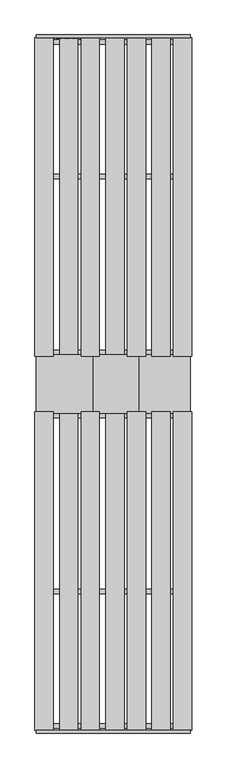
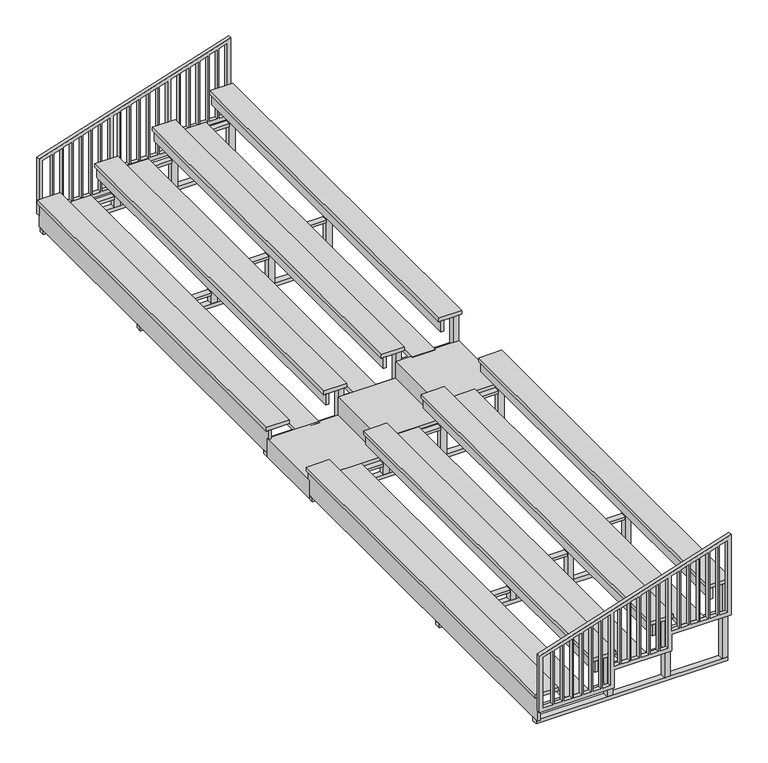
"""IFC4 building model written with IfcOpenShell, lengths in millimetres: furniture geometry."""

import ifcopenshell
import ifcopenshell.guid

model = None  # the IFC model being written
_history = None  # IfcOwnerHistory: only IFC2X3 demands one
_inside = {}  # id of a spatial element -> (the spatial element, [elements in it])
_under = {}  # id of a project, library or spatial element -> (it, [spatial elements below it])
_declared = {}  # id of a project -> (the project, [libraries it declares])
_typed = {}  # id of a type object -> (the type object, [elements of that type])
_made_of = {}  # id of a material, layer set ... -> (it, [elements and type objects made of it])


def new_model(schema):
    """Start an empty IFC model of exactly this schema.

    Asked for "IFC4X3", IfcOpenShell would pick the latest addendum, in which some entities
    have other attributes; the version numbers below select the first issue.
    IFC2X3 requires an IfcOwnerHistory on every rooted entity: one is made here for all.
    """
    global model, _history
    if schema == "IFC4X3":
        model = ifcopenshell.file(schema_version=(4, 3, 0, 0))
    else:
        model = ifcopenshell.file(schema=schema)
    _inside.clear()
    _under.clear()
    _declared.clear()
    _typed.clear()
    _made_of.clear()
    _history = None
    if model.schema == "IFC2X3":
        org = make("IfcOrganization", Name="unknown")
        user = make(
            "IfcPersonAndOrganization",
            ThePerson=make("IfcPerson", FamilyName="unknown"),
            TheOrganization=org,
        )
        app = make(
            "IfcApplication",
            ApplicationDeveloper=org,
            Version="unknown",
            ApplicationFullName="unknown",
            ApplicationIdentifier="unknown",
        )
        _history = make(
            "IfcOwnerHistory",
            OwningUser=user,
            OwningApplication=app,
            ChangeAction="ADDED",
            CreationDate=0,
        )
    return model


def make(cls, **values):
    """One entity of the class cls with the attributes given. An attribute that is None is left unset."""
    return model.create_entity(
        cls, **{name: value for name, value in values.items() if value is not None}
    )


def rooted(cls, **values):
    """An entity with a GlobalId (a new one), such as an element, a storey or a relation."""
    return make(cls, GlobalId=ifcopenshell.guid.new(), OwnerHistory=_history, **values)


def si_unit(unit_type, name, prefix=None):
    """IfcSIUnit, for example si_unit("LENGTHUNIT", "METRE", prefix="MILLI")."""
    return make("IfcSIUnit", UnitType=unit_type, Prefix=prefix, Name=name)


def assignment(units):
    """IfcUnitAssignment: the units of a project."""
    return None if units is None else make("IfcUnitAssignment", Units=units)


def point(xyz):
    """IfcCartesianPoint."""
    return None if xyz is None else make("IfcCartesianPoint", Coordinates=xyz)


def direction(xyz):
    """IfcDirection."""
    return None if xyz is None else make("IfcDirection", DirectionRatios=xyz)


def frame(location, z_axis=None, x_axis=None):
    """IfcAxis2Placement3D, a coordinate frame: its origin and axes. An axis left out is left unset."""
    return make(
        "IfcAxis2Placement3D",
        Location=point(location),
        Axis=direction(z_axis),
        RefDirection=direction(x_axis),
    )


def origin():
    """The frame at (0, 0, 0) with its axes left unset."""
    return frame((0.0, 0.0, 0.0))


def origin_with_axes():
    """The frame at (0, 0, 0) with the z axis (0, 0, 1) and the x axis (1, 0, 0) written out."""
    return frame((0.0, 0.0, 0.0), z_axis=(0.0, 0.0, 1.0), x_axis=(1.0, 0.0, 0.0))


def place(relative_to, where):
    """IfcLocalPlacement: puts the frame where relative to a parent placement (None: the world)."""
    return make(
        "IfcLocalPlacement", PlacementRelTo=relative_to, RelativePlacement=where
    )


def context(
    kind, dimensions, precision=None, world=None, true_north=None, identifier=None
):
    """IfcGeometricRepresentationContext, for example the 3D "Model" context."""
    return make(
        "IfcGeometricRepresentationContext",
        ContextIdentifier=identifier,
        ContextType=kind,
        CoordinateSpaceDimension=dimensions,
        Precision=precision,
        WorldCoordinateSystem=world,
        TrueNorth=true_north,
    )


def project(units=None, contexts=None):
    """IfcProject with its units and contexts."""
    return rooted(
        "IfcProject",
        Name="project",
        RepresentationContexts=contexts,
        UnitsInContext=assignment(units),
    )


def spatial(cls, under=None, at=None, **own):
    """A site, building, storey or space (cls), placed at a placement, below another one or the project."""
    s = rooted(cls, ObjectPlacement=at, **own)
    if under is not None:
        _under.setdefault(under.id(), (under, []))[1].append(s)
    return s


def polyline(points):
    """IfcPolyline through the points."""
    return make("IfcPolyline", Points=[point(p) for p in points])


def outline(outer, holes=None, kind="AREA"):
    """IfcArbitraryClosedProfileDef: a profile drawn as a closed curve; with holes, ...WithVoids."""
    if holes is None:
        return make("IfcArbitraryClosedProfileDef", ProfileType=kind, OuterCurve=outer)
    return make(
        "IfcArbitraryProfileDefWithVoids",
        ProfileType=kind,
        OuterCurve=outer,
        InnerCurves=holes,
    )


def extrude(swept, where, along, depth):
    """IfcExtrudedAreaSolid: the profile swept, set in the frame where, extruded along a direction by depth."""
    return make(
        "IfcExtrudedAreaSolid",
        SweptArea=swept,
        Position=where,
        ExtrudedDirection=direction(along),
        Depth=depth,
    )


def shape(context_of_items, identifier, shape_type, items):
    """IfcShapeRepresentation: the items that make up one representation, for example the "Body"."""
    return make(
        "IfcShapeRepresentation",
        ContextOfItems=context_of_items,
        RepresentationIdentifier=identifier,
        RepresentationType=shape_type,
        Items=items,
    )


def source(mapping_origin, context_of_items, identifier, shape_type, items):
    """IfcRepresentationMap: a shape defined once, which mapped items show again and again."""
    return make(
        "IfcRepresentationMap",
        MappingOrigin=mapping_origin,
        MappedRepresentation=shape(context_of_items, identifier, shape_type, items),
    )


def transform(
    local_origin,
    x_axis=None,
    y_axis=None,
    z_axis=None,
    scale=None,
    scale2=None,
    scale3=None,
    uniform=True,
):
    """IfcCartesianTransformationOperator3D, or its non-uniform kind. x_axis, y_axis, z_axis: its Axis1, 2, 3."""
    if uniform:
        return make(
            "IfcCartesianTransformationOperator3D",
            Axis1=direction(x_axis),
            Axis2=direction(y_axis),
            LocalOrigin=point(local_origin),
            Scale=scale,
            Axis3=direction(z_axis),
        )
    return make(
        "IfcCartesianTransformationOperator3DnonUniform",
        Axis1=direction(x_axis),
        Axis2=direction(y_axis),
        LocalOrigin=point(local_origin),
        Scale=scale,
        Axis3=direction(z_axis),
        Scale2=scale2,
        Scale3=scale3,
    )


def mapped(mapping_source, mapping_target):
    """IfcMappedItem: shows the shape of a source again, moved by a transform."""
    return make(
        "IfcMappedItem", MappingSource=mapping_source, MappingTarget=mapping_target
    )


def made_of(thing, what):
    """Note that an element or type object is made of a material, layer set ...; save() writes the relation."""
    if what is not None:
        _made_of.setdefault(what.id(), (what, []))[1].append(thing)
    return thing


def element(
    cls,
    number,
    at=None,
    inside=None,
    cuts=None,
    type_object=None,
    material=None,
    context=None,
    identifier="Body",
    shape_type=None,
    held_by="IfcProductDefinitionShape",
    body=None,
    shapes=None,
    **own,
):
    """One element of the class cls, such as IfcWall. Its Tag is "e" and its number.

    at: its placement. inside: the storey or other place that contains it. cuts: it is an
    opening in that element (IfcRelVoidsElement). A single representation is given by context,
    identifier, shape_type and body (its items); several are given by shapes. held_by: the class
    of the entity that holds the representations. save() writes the other relations.
    """
    e = rooted(cls, Tag="e%d" % number, ObjectPlacement=at, **own)
    if body is not None:
        shapes = [shape(context, identifier, shape_type, body)]
    if shapes is not None:
        e.Representation = make(held_by, Representations=shapes)
    if inside is not None:
        _inside.setdefault(inside.id(), (inside, []))[1].append(e)
    if cuts is not None:
        rooted(
            "IfcRelVoidsElement", RelatingBuildingElement=cuts, RelatedOpeningElement=e
        )
    if type_object is not None:
        _typed.setdefault(type_object.id(), (type_object, []))[1].append(e)
    return made_of(e, material)


def aggregate(whole, parts):
    """IfcRelAggregates: a whole, such as a stair, and the parts it consists of."""
    return rooted("IfcRelAggregates", RelatingObject=whole, RelatedObjects=parts)


def save(model, path):
    """Write the relations noted so far, then the file.

    IfcRelAggregates (storeys below a building ...), IfcRelContainedInSpatialStructure (elements
    in a storey), IfcRelDefinesByType, IfcRelAssociatesMaterial and IfcRelDeclares: one each for
    every whole, place, type object, material and project.
    """
    for whole, parts in _under.values():
        aggregate(whole, parts)
    for where, things in _inside.values():
        rooted(
            "IfcRelContainedInSpatialStructure",
            RelatedElements=things,
            RelatingStructure=where,
        )
    for kind, things in _typed.values():
        rooted("IfcRelDefinesByType", RelatedObjects=things, RelatingType=kind)
    for what, things in _made_of.values():
        rooted("IfcRelAssociatesMaterial", RelatedObjects=things, RelatingMaterial=what)
    for by, libraries in _declared.values():
        rooted("IfcRelDeclares", RelatingContext=by, RelatedDefinitions=libraries)
    model.write(path)


def furniture_8ce1a754(model_context):
    return source(origin(), model_context, "Body", "SweptSolid", [
        extrude(outline(polyline([(995.3625, 25.4), (203.2, 25.4), (203.2, 1016.0), (457.2, 1016.0), (457.2, 1778.0), (685.8, 1778.0), (685.8, 2565.4), (1810.2791667, 2565.4), (995.3625, 25.4)]), holes=[polyline([(958.310335, 76.2), (999.0561684, 203.2), (254.0, 203.2), (254.0, 76.2), (958.310335, 76.2)]), polyline([(1243.5311684, 965.2), (254.0, 965.2), (254.0, 863.6), (1210.9345017, 863.6), (1243.5311684, 965.2)]), polyline([(1488.0061684, 1727.2), (508.0, 1727.2), (508.0, 1625.6), (1455.4095017, 1625.6), (1488.0061684, 1727.2)]), polyline([(1202.785335, 838.2), (254.0, 838.2), (254.0, 736.6), (1170.1886684, 736.6), (1202.785335, 838.2)]), polyline([(1162.0395017, 711.2), (254.0, 711.2), (254.0, 609.6), (1129.442835, 609.6), (1162.0395017, 711.2)]), polyline([(1121.2936684, 584.2), (254.0, 584.2), (254.0, 482.6), (1088.6970017, 482.6), (1121.2936684, 584.2)]), polyline([(1080.547835, 457.2), (254.0, 457.2), (254.0, 355.6), (1047.9511684, 355.6), (1080.547835, 457.2)]), polyline([(1039.8020017, 330.2), (254.0, 330.2), (254.0, 228.6), (1007.205335, 228.6), (1039.8020017, 330.2)]), polyline([(1708.0336684, 2413.0), (1740.630335, 2514.6), (736.6, 2514.6), (736.6, 2413.0), (1708.0336684, 2413.0)]), polyline([(508.0, 1092.2), (508.0, 1016.0), (1259.8295017, 1016.0), (1284.2770017, 1092.2), (508.0, 1092.2)]), polyline([(736.6, 1879.6), (736.6, 1778.0), (1504.3045017, 1778.0), (1536.9011684, 1879.6), (736.6, 1879.6)]), polyline([(1447.260335, 1600.2), (508.0, 1600.2), (508.0, 1498.6), (1414.6636684, 1498.6), (1447.260335, 1600.2)]), polyline([(1406.5145017, 1473.2), (508.0, 1473.2), (508.0, 1371.6), (1373.917835, 1371.6), (1406.5145017, 1473.2)]), polyline([(1365.7686684, 1346.2), (508.0, 1346.2), (508.0, 1244.6), (1333.1720017, 1244.6), (1365.7686684, 1346.2)]), polyline([(1325.022835, 1219.2), (508.0, 1219.2), (508.0, 1117.6), (1292.4261684, 1117.6), (1325.022835, 1219.2)]), polyline([(1699.8845017, 2387.6), (736.6, 2387.6), (736.6, 2286.0), (1667.287835, 2286.0), (1699.8845017, 2387.6)]), polyline([(1659.1386684, 2260.6), (736.6, 2260.6), (736.6, 2159.0), (1626.5420017, 2159.0), (1659.1386684, 2260.6)]), polyline([(1618.392835, 2133.6), (736.6, 2133.6), (736.6, 2032.0), (1585.7961684, 2032.0), (1618.392835, 2133.6)]), polyline([(1577.6470017, 2006.6), (736.6, 2006.6), (736.6, 1905.0), (1545.050335, 1905.0), (1577.6470017, 2006.6)])]), frame((0.0, -11480.8, 0.0), z_axis=(0.0, 1.0, 0.0), x_axis=(0.0, 0.0, 1.0)), (0.0, 0.0, 1.0), 50.8),
        extrude(outline(polyline([(995.3625, 25.4), (203.2, 25.4), (203.2, 1016.0), (457.2, 1016.0), (457.2, 1778.0), (685.8, 1778.0), (685.8, 2565.4), (1810.2791667, 2565.4), (995.3625, 25.4)]), holes=[polyline([(958.310335, 76.2), (999.0561684, 203.2), (254.0, 203.2), (254.0, 76.2), (958.310335, 76.2)]), polyline([(1243.5311684, 965.2), (254.0, 965.2), (254.0, 863.6), (1210.9345017, 863.6), (1243.5311684, 965.2)]), polyline([(1488.0061684, 1727.2), (508.0, 1727.2), (508.0, 1625.6), (1455.4095017, 1625.6), (1488.0061684, 1727.2)]), polyline([(1202.785335, 838.2), (254.0, 838.2), (254.0, 736.6), (1170.1886684, 736.6), (1202.785335, 838.2)]), polyline([(1162.0395017, 711.2), (254.0, 711.2), (254.0, 609.6), (1129.442835, 609.6), (1162.0395017, 711.2)]), polyline([(1121.2936684, 584.2), (254.0, 584.2), (254.0, 482.6), (1088.6970017, 482.6), (1121.2936684, 584.2)]), polyline([(1080.547835, 457.2), (254.0, 457.2), (254.0, 355.6), (1047.9511684, 355.6), (1080.547835, 457.2)]), polyline([(1039.8020017, 330.2), (254.0, 330.2), (254.0, 228.6), (1007.205335, 228.6), (1039.8020017, 330.2)]), polyline([(1708.0336684, 2413.0), (1740.630335, 2514.6), (736.6, 2514.6), (736.6, 2413.0), (1708.0336684, 2413.0)]), polyline([(508.0, 1092.2), (508.0, 1016.0), (1259.8295017, 1016.0), (1284.2770017, 1092.2), (508.0, 1092.2)]), polyline([(736.6, 1879.6), (736.6, 1778.0), (1504.3045017, 1778.0), (1536.9011684, 1879.6), (736.6, 1879.6)]), polyline([(1447.260335, 1600.2), (508.0, 1600.2), (508.0, 1498.6), (1414.6636684, 1498.6), (1447.260335, 1600.2)]), polyline([(1406.5145017, 1473.2), (508.0, 1473.2), (508.0, 1371.6), (1373.917835, 1371.6), (1406.5145017, 1473.2)]), polyline([(1365.7686684, 1346.2), (508.0, 1346.2), (508.0, 1244.6), (1333.1720017, 1244.6), (1365.7686684, 1346.2)]), polyline([(1325.022835, 1219.2), (508.0, 1219.2), (508.0, 1117.6), (1292.4261684, 1117.6), (1325.022835, 1219.2)]), polyline([(1699.8845017, 2387.6), (736.6, 2387.6), (736.6, 2286.0), (1667.287835, 2286.0), (1699.8845017, 2387.6)]), polyline([(1659.1386684, 2260.6), (736.6, 2260.6), (736.6, 2159.0), (1626.5420017, 2159.0), (1659.1386684, 2260.6)]), polyline([(1618.392835, 2133.6), (736.6, 2133.6), (736.6, 2032.0), (1585.7961684, 2032.0), (1618.392835, 2133.6)]), polyline([(1577.6470017, 2006.6), (736.6, 2006.6), (736.6, 1905.0), (1545.050335, 1905.0), (1577.6470017, 2006.6)])]), frame((0.0, 0.0, 0.0), z_axis=(0.0, 1.0, 0.0), x_axis=(0.0, 0.0, 1.0)), (0.0, 0.0, 1.0), 50.8),
        extrude(outline(polyline([(254.0, 25.4), (0.0, 25.4), (0.0, 76.2), (203.2, 76.2), (203.2, 1016.0), (457.2, 1016.0), (457.2, 1778.0), (685.8, 1778.0), (685.8, 2565.4), (736.6, 2565.4), (736.6, 1727.2), (508.0, 1727.2), (508.0, 965.2), (254.0, 965.2), (254.0, 25.4)])), frame((0.0, -6197.6, 0.0), z_axis=(0.0, 1.0, 0.0), x_axis=(0.0, 0.0, 1.0)), (0.0, 0.0, 1.0), 965.2),
        extrude(outline(polyline([(2489.2, -6197.6), (2489.2, -6273.8), (1803.4, -6273.8), (1803.4, -6197.6), (2489.2, -6197.6)])), frame((0.0, 0.0, 654.05), z_axis=(0.0, 0.0, 1.0), x_axis=(1.0, 0.0, 0.0)), (0.0, 0.0, 1.0), 38.1),
        extrude(outline(polyline([(1727.2, -6197.6), (1727.2, -6273.8), (1041.4, -6273.8), (1041.4, -6197.6), (1727.2, -6197.6)])), frame((0.0, 0.0, 409.575), z_axis=(0.0, 0.0, 1.0), x_axis=(1.0, 0.0, 0.0)), (0.0, 0.0, 1.0), 38.1),
        extrude(outline(polyline([(965.2, -6197.6), (965.2, -6273.8), (63.5, -6273.8), (63.5, -6197.6), (965.2, -6197.6)])), frame((0.0, 0.0, 165.1), z_axis=(0.0, 0.0, 1.0), x_axis=(1.0, 0.0, 0.0)), (0.0, 0.0, 1.0), 38.1),
        extrude(outline(polyline([(965.2, -6197.6), (1041.4, -6197.6), (1041.4, -6273.8), (965.2, -6273.8), (965.2, -6197.6)])), frame((0.0, 0.0, 50.8), z_axis=(0.0, 0.0, 1.0), x_axis=(1.0, 0.0, 0.0)), (0.0, 0.0, 1.0), 574.675),
        extrude(outline(polyline([(1727.2, -6197.6), (1803.4, -6197.6), (1803.4, -6273.8), (1727.2, -6273.8), (1727.2, -6197.6)])), frame((0.0, 0.0, 50.8), z_axis=(0.0, 0.0, 1.0), x_axis=(1.0, 0.0, 0.0)), (0.0, 0.0, 1.0), 819.15),
        extrude(outline(polyline([(2489.2, -6197.6), (2565.4, -6197.6), (2565.4, -6273.8), (2489.2, -6273.8), (2489.2, -6197.6)])), frame((0.0, 0.0, 50.8), z_axis=(0.0, 0.0, 1.0), x_axis=(1.0, 0.0, 0.0)), (0.0, 0.0, 1.0), 1063.625),
        extrude(outline(polyline([(2565.4, -6273.8), (25.4, -6273.8), (25.4, -6197.6), (2565.4, -6197.6), (2565.4, -6273.8)])), origin_with_axes(), (0.0, 0.0, 1.0), 50.8),
        extrude(outline(polyline([(2489.2, -9105.9), (2489.2, -9182.1), (1803.4, -9182.1), (1803.4, -9105.9), (2489.2, -9105.9)])), frame((0.0, 0.0, 654.05), z_axis=(0.0, 0.0, 1.0), x_axis=(1.0, 0.0, 0.0)), (0.0, 0.0, 1.0), 38.1),
        extrude(outline(polyline([(1727.2, -9105.9), (1727.2, -9182.1), (1041.4, -9182.1), (1041.4, -9105.9), (1727.2, -9105.9)])), frame((0.0, 0.0, 409.575), z_axis=(0.0, 0.0, 1.0), x_axis=(1.0, 0.0, 0.0)), (0.0, 0.0, 1.0), 38.1),
        extrude(outline(polyline([(965.2, -9105.9), (965.2, -9182.1), (63.5, -9182.1), (63.5, -9105.9), (965.2, -9105.9)])), frame((0.0, 0.0, 165.1), z_axis=(0.0, 0.0, 1.0), x_axis=(1.0, 0.0, 0.0)), (0.0, 0.0, 1.0), 38.1),
        extrude(outline(polyline([(965.2, -9105.9), (1041.4, -9105.9), (1041.4, -9182.1), (965.2, -9182.1), (965.2, -9105.9)])), frame((0.0, 0.0, 50.8), z_axis=(0.0, 0.0, 1.0), x_axis=(1.0, 0.0, 0.0)), (0.0, 0.0, 1.0), 574.675),
        extrude(outline(polyline([(1727.2, -9105.9), (1803.4, -9105.9), (1803.4, -9182.1), (1727.2, -9182.1), (1727.2, -9105.9)])), frame((0.0, 0.0, 50.8), z_axis=(0.0, 0.0, 1.0), x_axis=(1.0, 0.0, 0.0)), (0.0, 0.0, 1.0), 819.15),
        extrude(outline(polyline([(2489.2, -9105.9), (2565.4, -9105.9), (2565.4, -9182.1), (2489.2, -9182.1), (2489.2, -9105.9)])), frame((0.0, 0.0, 50.8), z_axis=(0.0, 0.0, 1.0), x_axis=(1.0, 0.0, 0.0)), (0.0, 0.0, 1.0), 1063.625),
        extrude(outline(polyline([(2565.4, -9182.1), (25.4, -9182.1), (25.4, -9105.9), (2565.4, -9105.9), (2565.4, -9182.1)])), origin_with_axes(), (0.0, 0.0, 1.0), 50.8),
        extrude(outline(polyline([(2489.2, -11328.4), (2489.2, -11404.6), (1803.4, -11404.6), (1803.4, -11328.4), (2489.2, -11328.4)])), frame((0.0, 0.0, 654.05), z_axis=(0.0, 0.0, 1.0), x_axis=(1.0, 0.0, 0.0)), (0.0, 0.0, 1.0), 38.1),
        extrude(outline(polyline([(1727.2, -11328.4), (1727.2, -11404.6), (1041.4, -11404.6), (1041.4, -11328.4), (1727.2, -11328.4)])), frame((0.0, 0.0, 409.575), z_axis=(0.0, 0.0, 1.0), x_axis=(1.0, 0.0, 0.0)), (0.0, 0.0, 1.0), 38.1),
        extrude(outline(polyline([(965.2, -11328.4), (965.2, -11404.6), (63.5, -11404.6), (63.5, -11328.4), (965.2, -11328.4)])), frame((0.0, 0.0, 165.1), z_axis=(0.0, 0.0, 1.0), x_axis=(1.0, 0.0, 0.0)), (0.0, 0.0, 1.0), 38.1),
        extrude(outline(polyline([(965.2, -11328.4), (1041.4, -11328.4), (1041.4, -11404.6), (965.2, -11404.6), (965.2, -11328.4)])), frame((0.0, 0.0, 50.8), z_axis=(0.0, 0.0, 1.0), x_axis=(1.0, 0.0, 0.0)), (0.0, 0.0, 1.0), 574.675),
        extrude(outline(polyline([(1727.2, -11328.4), (1803.4, -11328.4), (1803.4, -11404.6), (1727.2, -11404.6), (1727.2, -11328.4)])), frame((0.0, 0.0, 50.8), z_axis=(0.0, 0.0, 1.0), x_axis=(1.0, 0.0, 0.0)), (0.0, 0.0, 1.0), 819.15),
        extrude(outline(polyline([(2489.2, -11328.4), (2565.4, -11328.4), (2565.4, -11404.6), (2489.2, -11404.6), (2489.2, -11328.4)])), frame((0.0, 0.0, 50.8), z_axis=(0.0, 0.0, 1.0), x_axis=(1.0, 0.0, 0.0)), (0.0, 0.0, 1.0), 1063.625),
        extrude(outline(polyline([(2565.4, -11404.6), (25.4, -11404.6), (25.4, -11328.4), (2565.4, -11328.4), (2565.4, -11404.6)])), origin_with_axes(), (0.0, 0.0, 1.0), 50.8),
        extrude(outline(polyline([(2235.2, -11430.0), (1930.4, -11430.0), (1930.4, -6172.2), (2235.2, -6172.2), (2235.2, -11430.0)])), frame((0.0, 0.0, 692.15), z_axis=(0.0, 0.0, 1.0), x_axis=(1.0, 0.0, 0.0)), (0.0, 0.0, 1.0), 50.8),
        extrude(outline(polyline([(1473.2, -11430.0), (1168.4, -11430.0), (1168.4, -6172.2), (1473.2, -6172.2), (1473.2, -11430.0)])), frame((0.0, 0.0, 447.675), z_axis=(0.0, 0.0, 1.0), x_axis=(1.0, 0.0, 0.0)), (0.0, 0.0, 1.0), 50.8),
        extrude(outline(polyline([(711.2, -11430.0), (406.4, -11430.0), (406.4, -6172.2), (711.2, -6172.2), (711.2, -11430.0)])), frame((0.0, 0.0, 203.2), z_axis=(0.0, 0.0, 1.0), x_axis=(1.0, 0.0, 0.0)), (0.0, 0.0, 1.0), 50.8),
        extrude(outline(polyline([(2349.5, -6172.2), (2349.5, -11430.0), (2311.4, -11430.0), (2311.4, -6172.2), (2349.5, -6172.2)])), frame((0.0, 0.0, 962.025), z_axis=(0.0, 0.0, 1.0), x_axis=(1.0, 0.0, 0.0)), (0.0, 0.0, 1.0), 152.4),
        extrude(outline(polyline([(1587.5, -6172.2), (1587.5, -11430.0), (1549.4, -11430.0), (1549.4, -6172.2), (1587.5, -6172.2)])), frame((0.0, 0.0, 717.55), z_axis=(0.0, 0.0, 1.0), x_axis=(1.0, 0.0, 0.0)), (0.0, 0.0, 1.0), 152.4),
        extrude(outline(polyline([(825.5, -6172.2), (825.5, -11430.0), (787.4, -11430.0), (787.4, -6172.2), (825.5, -6172.2)])), frame((0.0, 0.0, 473.075), z_axis=(0.0, 0.0, 1.0), x_axis=(1.0, 0.0, 0.0)), (0.0, 0.0, 1.0), 152.4),
        extrude(outline(polyline([(63.5, -6172.2), (63.5, -11430.0), (25.4, -11430.0), (25.4, -6172.2), (63.5, -6172.2)])), frame((0.0, 0.0, 50.8), z_axis=(0.0, 0.0, 1.0), x_axis=(1.0, 0.0, 0.0)), (0.0, 0.0, 1.0), 330.2),
        extrude(outline(polyline([(2590.8, -11430.0), (2286.0, -11430.0), (2286.0, -6172.2), (2590.8, -6172.2), (2590.8, -11430.0)])), frame((0.0, 0.0, 1114.425), z_axis=(0.0, 0.0, 1.0), x_axis=(1.0, 0.0, 0.0)), (0.0, 0.0, 1.0), 50.8),
        extrude(outline(polyline([(1828.8, -11430.0), (1524.0, -11430.0), (1524.0, -6172.2), (1828.8, -6172.2), (1828.8, -11430.0)])), frame((0.0, 0.0, 869.95), z_axis=(0.0, 0.0, 1.0), x_axis=(1.0, 0.0, 0.0)), (0.0, 0.0, 1.0), 50.8),
        extrude(outline(polyline([(1066.8, -11430.0), (762.0, -11430.0), (762.0, -6172.2), (1066.8, -6172.2), (1066.8, -11430.0)])), frame((0.0, 0.0, 625.475), z_axis=(0.0, 0.0, 1.0), x_axis=(1.0, 0.0, 0.0)), (0.0, 0.0, 1.0), 50.8),
        extrude(outline(polyline([(304.8, -11430.0), (0.0, -11430.0), (0.0, -6172.2), (304.8, -6172.2), (304.8, -11430.0)])), frame((0.0, 0.0, 381.0), z_axis=(0.0, 0.0, 1.0), x_axis=(1.0, 0.0, 0.0)), (0.0, 0.0, 1.0), 50.8),
        extrude(outline(polyline([(2489.2, -5232.4), (1803.4, -5232.4), (1803.4, -5156.2), (2489.2, -5156.2), (2489.2, -5232.4)])), frame((0.0, 0.0, 654.05), z_axis=(0.0, 0.0, 1.0), x_axis=(1.0, 0.0, 0.0)), (0.0, 0.0, 1.0), 38.1),
        extrude(outline(polyline([(1727.2, -5232.4), (1041.4, -5232.4), (1041.4, -5156.2), (1727.2, -5156.2), (1727.2, -5232.4)])), frame((0.0, 0.0, 409.575), z_axis=(0.0, 0.0, 1.0), x_axis=(1.0, 0.0, 0.0)), (0.0, 0.0, 1.0), 38.1),
        extrude(outline(polyline([(965.2, -5232.4), (63.5, -5232.4), (63.5, -5156.2), (965.2, -5156.2), (965.2, -5232.4)])), frame((0.0, 0.0, 165.1), z_axis=(0.0, 0.0, 1.0), x_axis=(1.0, 0.0, 0.0)), (0.0, 0.0, 1.0), 38.1),
        extrude(outline(polyline([(965.2, -5232.4), (965.2, -5156.2), (1041.4, -5156.2), (1041.4, -5232.4), (965.2, -5232.4)])), frame((0.0, 0.0, 50.8), z_axis=(0.0, 0.0, 1.0), x_axis=(1.0, 0.0, 0.0)), (0.0, 0.0, 1.0), 574.675),
        extrude(outline(polyline([(1727.2, -5232.4), (1727.2, -5156.2), (1803.4, -5156.2), (1803.4, -5232.4), (1727.2, -5232.4)])), frame((0.0, 0.0, 50.8), z_axis=(0.0, 0.0, 1.0), x_axis=(1.0, 0.0, 0.0)), (0.0, 0.0, 1.0), 819.15),
        extrude(outline(polyline([(2489.2, -5232.4), (2489.2, -5156.2), (2565.4, -5156.2), (2565.4, -5232.4), (2489.2, -5232.4)])), frame((0.0, 0.0, 50.8), z_axis=(0.0, 0.0, 1.0), x_axis=(1.0, 0.0, 0.0)), (0.0, 0.0, 1.0), 1063.625),
        extrude(outline(polyline([(2565.4, -5156.2), (2565.4, -5232.4), (25.4, -5232.4), (25.4, -5156.2), (2565.4, -5156.2)])), origin_with_axes(), (0.0, 0.0, 1.0), 50.8),
        extrude(outline(polyline([(2489.2, -2324.1), (1803.4, -2324.1), (1803.4, -2247.9), (2489.2, -2247.9), (2489.2, -2324.1)])), frame((0.0, 0.0, 654.05), z_axis=(0.0, 0.0, 1.0), x_axis=(1.0, 0.0, 0.0)), (0.0, 0.0, 1.0), 38.1),
        extrude(outline(polyline([(1727.2, -2324.1), (1041.4, -2324.1), (1041.4, -2247.9), (1727.2, -2247.9), (1727.2, -2324.1)])), frame((0.0, 0.0, 409.575), z_axis=(0.0, 0.0, 1.0), x_axis=(1.0, 0.0, 0.0)), (0.0, 0.0, 1.0), 38.1),
        extrude(outline(polyline([(965.2, -2324.1), (63.5, -2324.1), (63.5, -2247.9), (965.2, -2247.9), (965.2, -2324.1)])), frame((0.0, 0.0, 165.1), z_axis=(0.0, 0.0, 1.0), x_axis=(1.0, 0.0, 0.0)), (0.0, 0.0, 1.0), 38.1),
        extrude(outline(polyline([(965.2, -2324.1), (965.2, -2247.9), (1041.4, -2247.9), (1041.4, -2324.1), (965.2, -2324.1)])), frame((0.0, 0.0, 50.8), z_axis=(0.0, 0.0, 1.0), x_axis=(1.0, 0.0, 0.0)), (0.0, 0.0, 1.0), 574.675),
        extrude(outline(polyline([(1727.2, -2324.1), (1727.2, -2247.9), (1803.4, -2247.9), (1803.4, -2324.1), (1727.2, -2324.1)])), frame((0.0, 0.0, 50.8), z_axis=(0.0, 0.0, 1.0), x_axis=(1.0, 0.0, 0.0)), (0.0, 0.0, 1.0), 819.15),
        extrude(outline(polyline([(2489.2, -2324.1), (2489.2, -2247.9), (2565.4, -2247.9), (2565.4, -2324.1), (2489.2, -2324.1)])), frame((0.0, 0.0, 50.8), z_axis=(0.0, 0.0, 1.0), x_axis=(1.0, 0.0, 0.0)), (0.0, 0.0, 1.0), 1063.625),
        extrude(outline(polyline([(2565.4, -2247.9), (2565.4, -2324.1), (25.4, -2324.1), (25.4, -2247.9), (2565.4, -2247.9)])), origin_with_axes(), (0.0, 0.0, 1.0), 50.8),
        extrude(outline(polyline([(2489.2, -101.6), (1803.4, -101.6), (1803.4, -25.4), (2489.2, -25.4), (2489.2, -101.6)])), frame((0.0, 0.0, 654.05), z_axis=(0.0, 0.0, 1.0), x_axis=(1.0, 0.0, 0.0)), (0.0, 0.0, 1.0), 38.1),
        extrude(outline(polyline([(1727.2, -101.6), (1041.4, -101.6), (1041.4, -25.4), (1727.2, -25.4), (1727.2, -101.6)])), frame((0.0, 0.0, 409.575), z_axis=(0.0, 0.0, 1.0), x_axis=(1.0, 0.0, 0.0)), (0.0, 0.0, 1.0), 38.1),
        extrude(outline(polyline([(965.2, -101.6), (63.5, -101.6), (63.5, -25.4), (965.2, -25.4), (965.2, -101.6)])), frame((0.0, 0.0, 165.1), z_axis=(0.0, 0.0, 1.0), x_axis=(1.0, 0.0, 0.0)), (0.0, 0.0, 1.0), 38.1),
        extrude(outline(polyline([(965.2, -101.6), (965.2, -25.4), (1041.4, -25.4), (1041.4, -101.6), (965.2, -101.6)])), frame((0.0, 0.0, 50.8), z_axis=(0.0, 0.0, 1.0), x_axis=(1.0, 0.0, 0.0)), (0.0, 0.0, 1.0), 574.675),
        extrude(outline(polyline([(1727.2, -101.6), (1727.2, -25.4), (1803.4, -25.4), (1803.4, -101.6), (1727.2, -101.6)])), frame((0.0, 0.0, 50.8), z_axis=(0.0, 0.0, 1.0), x_axis=(1.0, 0.0, 0.0)), (0.0, 0.0, 1.0), 819.15),
        extrude(outline(polyline([(2489.2, -101.6), (2489.2, -25.4), (2565.4, -25.4), (2565.4, -101.6), (2489.2, -101.6)])), frame((0.0, 0.0, 50.8), z_axis=(0.0, 0.0, 1.0), x_axis=(1.0, 0.0, 0.0)), (0.0, 0.0, 1.0), 1063.625),
        extrude(outline(polyline([(2565.4, -25.4), (2565.4, -101.6), (25.4, -101.6), (25.4, -25.4), (2565.4, -25.4)])), origin_with_axes(), (0.0, 0.0, 1.0), 50.8),
        extrude(outline(polyline([(2235.2, 0.0), (2235.2, -5257.8), (1930.4, -5257.8), (1930.4, 0.0), (2235.2, 0.0)])), frame((0.0, 0.0, 692.15), z_axis=(0.0, 0.0, 1.0), x_axis=(1.0, 0.0, 0.0)), (0.0, 0.0, 1.0), 50.8),
        extrude(outline(polyline([(1473.2, 0.0), (1473.2, -5257.8), (1168.4, -5257.8), (1168.4, 0.0), (1473.2, 0.0)])), frame((0.0, 0.0, 447.675), z_axis=(0.0, 0.0, 1.0), x_axis=(1.0, 0.0, 0.0)), (0.0, 0.0, 1.0), 50.8),
        extrude(outline(polyline([(711.2, 0.0), (711.2, -5257.8), (406.4, -5257.8), (406.4, 0.0), (711.2, 0.0)])), frame((0.0, 0.0, 203.2), z_axis=(0.0, 0.0, 1.0), x_axis=(1.0, 0.0, 0.0)), (0.0, 0.0, 1.0), 50.8),
        extrude(outline(polyline([(2349.5, -5257.8), (2311.4, -5257.8), (2311.4, 0.0), (2349.5, 0.0), (2349.5, -5257.8)])), frame((0.0, 0.0, 962.025), z_axis=(0.0, 0.0, 1.0), x_axis=(1.0, 0.0, 0.0)), (0.0, 0.0, 1.0), 152.4),
        extrude(outline(polyline([(1587.5, -5257.8), (1549.4, -5257.8), (1549.4, 0.0), (1587.5, 0.0), (1587.5, -5257.8)])), frame((0.0, 0.0, 717.55), z_axis=(0.0, 0.0, 1.0), x_axis=(1.0, 0.0, 0.0)), (0.0, 0.0, 1.0), 152.4),
        extrude(outline(polyline([(825.5, -5257.8), (787.4, -5257.8), (787.4, 0.0), (825.5, 0.0), (825.5, -5257.8)])), frame((0.0, 0.0, 473.075), z_axis=(0.0, 0.0, 1.0), x_axis=(1.0, 0.0, 0.0)), (0.0, 0.0, 1.0), 152.4),
        extrude(outline(polyline([(63.5, -5257.8), (25.4, -5257.8), (25.4, 0.0), (63.5, 0.0), (63.5, -5257.8)])), frame((0.0, 0.0, 50.8), z_axis=(0.0, 0.0, 1.0), x_axis=(1.0, 0.0, 0.0)), (0.0, 0.0, 1.0), 330.2),
        extrude(outline(polyline([(2590.8, 0.0), (2590.8, -5257.8), (2286.0, -5257.8), (2286.0, 0.0), (2590.8, 0.0)])), frame((0.0, 0.0, 1114.425), z_axis=(0.0, 0.0, 1.0), x_axis=(1.0, 0.0, 0.0)), (0.0, 0.0, 1.0), 50.8),
        extrude(outline(polyline([(1828.8, 0.0), (1828.8, -5257.8), (1524.0, -5257.8), (1524.0, 0.0), (1828.8, 0.0)])), frame((0.0, 0.0, 869.95), z_axis=(0.0, 0.0, 1.0), x_axis=(1.0, 0.0, 0.0)), (0.0, 0.0, 1.0), 50.8),
        extrude(outline(polyline([(1066.8, 0.0), (1066.8, -5257.8), (762.0, -5257.8), (762.0, 0.0), (1066.8, 0.0)])), frame((0.0, 0.0, 625.475), z_axis=(0.0, 0.0, 1.0), x_axis=(1.0, 0.0, 0.0)), (0.0, 0.0, 1.0), 50.8),
        extrude(outline(polyline([(304.8, 0.0), (304.8, -5257.8), (0.0, -5257.8), (0.0, 0.0), (304.8, 0.0)])), frame((0.0, 0.0, 381.0), z_axis=(0.0, 0.0, 1.0), x_axis=(1.0, 0.0, 0.0)), (0.0, 0.0, 1.0), 50.8),
    ])


if __name__ == "__main__":
    model = new_model("IFC4")
    model_context = context("Model", 3, world=origin())
    ifc_project = project(units=[si_unit("LENGTHUNIT", "METRE", prefix="MILLI")], contexts=[model_context])
    site = spatial("IfcSite", under=ifc_project)
    building = spatial("IfcBuilding", under=site)
    placement = place(None, origin())
    furniture_shape = furniture_8ce1a754(model_context)
    element("IfcFurniture", 1, at=placement, inside=building, context=model_context, shape_type="MappedRepresentation", body=[
        mapped(furniture_shape, transform((0.0, 0.0, 0.0), x_axis=(1.0, 0.0, 0.0), y_axis=(0.0, 1.0, 0.0), z_axis=(0.0, 0.0, 1.0))),
    ])
    save(model, "model.ifc")
